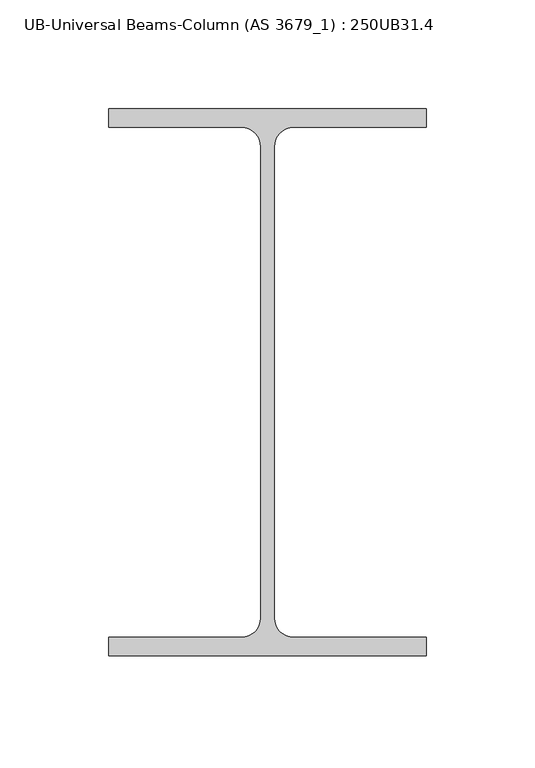
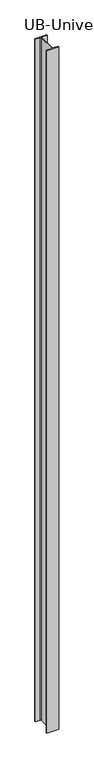
"""IFC4 building model written with IfcOpenShell, lengths in millimetres: column geometry, UB-Universal Beams-Column (AS 3679_1) : 250UB31.4."""

from ifc_helpers import new_model, si_unit, point, frame, frame_2d, origin, place, context, project, spatial, polyline, circle_curve, trimmed, segment, composite_curve, outline, extrude, source, transform, mapped, element, save


def ub_universal_beams_column_as_3679_1_250ub31_4_81dc2404(model_context):
    return source(origin(), model_context, "Body", "SweptSolid", [
        extrude(outline(composite_curve([segment(polyline([(73.0, 125.8), (73.0, 117.2), (11.95, 117.2)]), True, "CONTINUOUS"), segment(trimmed(circle_curve(frame_2d((11.95, 108.3)), 8.9), [point((11.95, 117.2))], [point((3.05, 108.3))], True, "CARTESIAN"), True, "CONTINUOUS"), segment(polyline([(3.05, 108.3), (3.05, -108.3)]), True, "CONTINUOUS"), segment(trimmed(circle_curve(frame_2d((11.95, -108.3)), 8.9), [point((3.05, -108.3))], [point((11.95, -117.2))], True, "CARTESIAN"), True, "CONTINUOUS"), segment(polyline([(11.95, -117.2), (73.0, -117.2), (73.0, -125.8), (-73.0, -125.8), (-73.0, -117.2), (-11.95, -117.2)]), True, "CONTINUOUS"), segment(trimmed(circle_curve(frame_2d((-11.95, -108.3)), 8.9), [point((-11.95, -117.2))], [point((-3.05, -108.3))], True, "CARTESIAN"), True, "CONTINUOUS"), segment(polyline([(-3.05, -108.3), (-3.05, 108.3)]), True, "CONTINUOUS"), segment(trimmed(circle_curve(frame_2d((-11.95, 108.3)), 8.9), [point((-3.05, 108.3))], [point((-11.95, 117.2))], True, "CARTESIAN"), True, "CONTINUOUS"), segment(polyline([(-11.95, 117.2), (-73.0, 117.2), (-73.0, 125.8), (73.0, 125.8)]), True, "CONTINUOUS")], self_intersect=False)), frame((0.0, 0.0, -180.0), z_axis=(0.0, 0.0, 1.0), x_axis=(1.0, 0.0, 0.0)), (0.0, 0.0, 1.0), 8810.0),
    ])


if __name__ == "__main__":
    model = new_model("IFC4")
    model_context = context("Model", 3, world=origin())
    ifc_project = project(units=[si_unit("LENGTHUNIT", "METRE", prefix="MILLI")], contexts=[model_context])
    site = spatial("IfcSite", under=ifc_project)
    building = spatial("IfcBuilding", under=site)
    placement = place(None, origin())
    ub_universal_beams_column_as_3679_1_250ub31_4_shape = ub_universal_beams_column_as_3679_1_250ub31_4_81dc2404(model_context)
    element("IfcColumn", 1, ObjectType="UB-Universal Beams-Column (AS 3679_1) : 250UB31.4", at=placement, inside=building, context=model_context, shape_type="MappedRepresentation", body=[
        mapped(ub_universal_beams_column_as_3679_1_250ub31_4_shape, transform((0.0, 0.0, 0.0), x_axis=(1.0, 0.0, 0.0), y_axis=(0.0, 1.0, 0.0), z_axis=(0.0, 0.0, 1.0))),
    ])
    save(model, "model.ifc")
